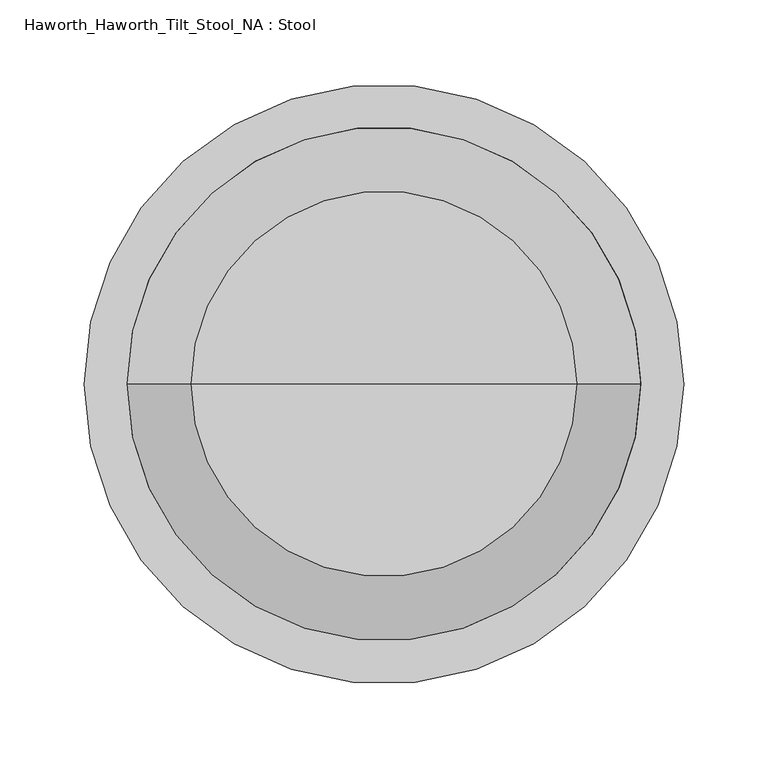
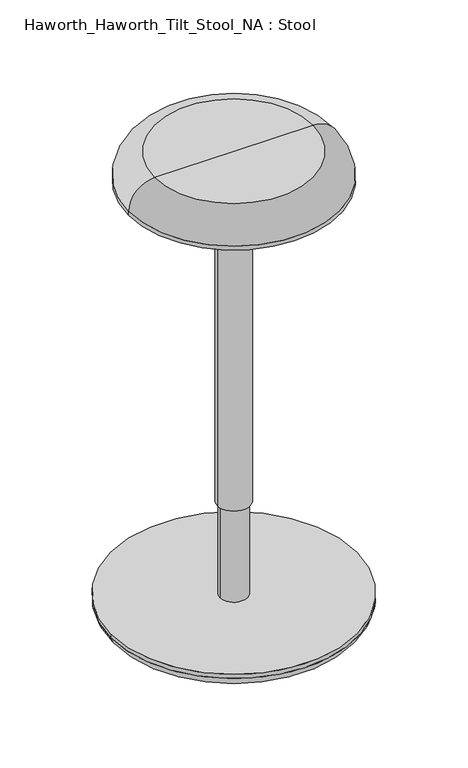
"""IFC4 building model written with IfcOpenShell, lengths in millimetres: furniture geometry, Haworth_Haworth_Tilt_Stool_NA : Stool."""

from ifc_helpers import new_model, si_unit, point, frame, frame_2d, origin, origin_2d, place, context, project, spatial, circle_curve, ellipse_curve, trimmed, segment, composite_curve, outline, extrude, source, transform, mapped, element, save
from ifc_brep_helpers import plane_surface, revolved_surface, advanced_brep


def haworth_haworth_tilt_stool_na_stool_fa742e71(model_context):
    return source(origin(), model_context, "Body", "SolidModel", [
        extrude(outline(composite_curve([segment(trimmed(circle_curve(frame_2d((0.0, 615.95)), 3.175), [point((-3.175, 615.95))], [point((3.175, 615.95))], False, "CARTESIAN"), True, "CONTINUOUS"), segment(trimmed(circle_curve(frame_2d((0.0, 615.95)), 3.175), [point((3.175, 615.95))], [point((-3.175, 615.95))], False, "CARTESIAN"), True, "CONTINUOUS")], self_intersect=False)), frame((24.1192004, 0.0, 0.0), z_axis=(1.0, 0.0, 0.0), x_axis=(0.0, 1.0, 0.0)), (0.0, 0.0, 1.0), 86.2355281),
        extrude(outline(composite_curve([segment(trimmed(circle_curve(origin_2d(), 19.9389992), [point((19.9389992, 0.0))], [point((-19.9389992, 0.0))], False, "CARTESIAN"), True, "CONTINUOUS"), segment(trimmed(circle_curve(origin_2d(), 19.9389992), [point((-19.9389992, 0.0))], [point((19.9389992, 0.0))], False, "CARTESIAN"), True, "CONTINUOUS")], self_intersect=False)), frame((0.0, 0.0, 36.2489797), z_axis=(0.0, 0.0, 1.0), x_axis=(1.0, 0.0, 0.0)), (0.0, 0.0, 1.0), 141.5510203),
        extrude(outline(composite_curve([segment(trimmed(circle_curve(origin_2d(), 23.6220002), [point((23.6220002, 0.0))], [point((-23.6220002, 0.0))], False, "CARTESIAN"), True, "CONTINUOUS"), segment(trimmed(circle_curve(origin_2d(), 23.6220002), [point((-23.6220002, 0.0))], [point((23.6220002, 0.0))], False, "CARTESIAN"), True, "CONTINUOUS")], self_intersect=False)), frame((0.0, 0.0, 177.8), z_axis=(0.0, 0.0, 1.0), x_axis=(1.0, 0.0, 0.0)), (0.0, 0.0, 1.0), 488.95),
        advanced_brep(
        [(-79.6904572, 0.0, 0.0), (79.6904572, 0.0, 0.0), (0.0, 0.0, 0.0), (-164.2207634, 0.0, 13.7158758), (164.2207634, 0.0, 13.7158758), (-177.8, 0.0, 29.8989797), (177.8, 0.0, 29.8989797), (0.0, 0.0, 29.8989797)],
        [
            (0, 1, circle_curve(frame((0.0, 0.0, 0.0), z_axis=(0.0, 0.0, -1.0), x_axis=(1.0, 0.0, 0.0)), 79.6904572)),
            (1, 2),
            (2, 0),
            (1, 0, circle_curve(frame((0.0, 0.0, 0.0), z_axis=(0.0, 0.0, -1.0), x_axis=(1.0, 0.0, 0.0)), 79.6904572)),
            (3, 4, circle_curve(frame((0.0, 0.0, 13.7158758), z_axis=(0.0, 0.0, -1.0), x_axis=(1.0, 0.0, 0.0)), 164.2207634)),
            (4, 1, circle_curve(frame((75.3690865, 0.0, 293.9685237), z_axis=(0.0, 1.0, 0.0), x_axis=(1.0, 0.0, 0.0)), 294.0002843)),
            (0, 3, circle_curve(frame((-75.3690865, 0.0, 293.9685237), z_axis=(0.0, 1.0, 0.0), x_axis=(-1.0, 0.0, 0.0)), 294.0002843)),
            (4, 3, circle_curve(frame((0.0, 0.0, 13.7158758), z_axis=(0.0, 0.0, -1.0), x_axis=(1.0, 0.0, 0.0)), 164.2207634)),
            (5, 6, circle_curve(frame((0.0, 0.0, 29.8989797), z_axis=(0.0, 0.0, -1.0), x_axis=(1.0, 0.0, 0.0)), 177.8)),
            (6, 4, circle_curve(frame((158.264676, 0.0, 32.5023447), z_axis=(0.0, 1.0, 0.0), x_axis=(1.0, 0.0, 0.0)), 19.7080286)),
            (3, 5, circle_curve(frame((-158.264676, 0.0, 32.5023447), z_axis=(0.0, 1.0, 0.0), x_axis=(-1.0, 0.0, 0.0)), 19.7080286)),
            (6, 5, circle_curve(frame((0.0, 0.0, 29.8989797), z_axis=(0.0, 0.0, -1.0), x_axis=(1.0, 0.0, 0.0)), 177.8)),
            (7, 6),
            (5, 7),
        ],
        [
            plane_surface(frame((0.0, 0.0, 0.0), z_axis=(0.0, 0.0, -1.0), x_axis=(1.0, 0.0, 0.0))),
            revolved_surface(trimmed(ellipse_curve(frame((75.3690865, 0.0, 293.9685237), z_axis=(0.0, -1.0, 0.0), x_axis=(1.0, 0.0, 0.0)), 294.0002843, 294.0002843), [point((79.6904572, 0.0, 0.0))], [point((164.2207634, 0.0, 13.7158758))], True, "CARTESIAN"), (0.0, 0.0, 2494.2743093), (0.0, 0.0, 1.0)),
            revolved_surface(trimmed(ellipse_curve(frame((158.264676, 0.0, 32.5023447), z_axis=(0.0, -1.0, 0.0), x_axis=(1.0, 0.0, 0.0)), 19.7080286, 19.7080286), [point((164.2207634, 0.0, 13.7158758))], [point((177.8, 0.0, 29.8989797))], True, "CARTESIAN"), (0.0, 0.0, 2494.2743093), (0.0, 0.0, 1.0)),
            plane_surface(frame((0.0, 0.0, 29.8989797), z_axis=(0.0, 0.0, 1.0), x_axis=(1.0, 0.0, 0.0))),
        ],
        [
            (0, [[1, 2, 3]]),
            (0, [[4, -3, -2]]),
            (1, [[5, 6, -1, 7]]),
            (1, [[8, -7, -4, -6]]),
            (2, [[9, 10, -5, 11]]),
            (2, [[12, -11, -8, -10]]),
            (3, [[13, -9, 14]]),
            (3, [[-14, -12, -13]]),
        ],
    ),
        extrude(outline(composite_curve([segment(trimmed(circle_curve(origin_2d(), 177.8), [point((177.8, 0.0))], [point((-177.8, 0.0))], False, "CARTESIAN"), True, "CONTINUOUS"), segment(trimmed(circle_curve(origin_2d(), 177.8), [point((-177.8, 0.0))], [point((177.8, 0.0))], False, "CARTESIAN"), True, "CONTINUOUS")], self_intersect=False)), frame((0.0, 0.0, 29.8989797), z_axis=(0.0, 0.0, 1.0), x_axis=(1.0, 0.0, 0.0)), (0.0, 0.0, 1.0), 6.35),
        advanced_brep(
        [(0.0, 0.0, 711.2), (114.2999941, 0.0, 711.2), (-114.2999941, 0.0, 711.2), (-152.3999941, 0.0, 673.1), (152.3999941, 0.0, 673.1), (0.0, 0.0, 673.1)],
        [
            (0, 1),
            (1, 2, circle_curve(frame((0.0, 0.0, 711.2), z_axis=(0.0, 0.0, 1.0), x_axis=(1.0, 0.0, 0.0)), 114.2999941)),
            (2, 0),
            (2, 1, circle_curve(frame((0.0, 0.0, 711.2), z_axis=(0.0, 0.0, 1.0), x_axis=(1.0, 0.0, 0.0)), 114.2999941)),
            (3, 4, circle_curve(frame((0.0, 0.0, 673.1), z_axis=(0.0, 0.0, -1.0), x_axis=(1.0, 0.0, 0.0)), 152.3999941)),
            (4, 5),
            (5, 3),
            (4, 3, circle_curve(frame((0.0, 0.0, 673.1), z_axis=(0.0, 0.0, -1.0), x_axis=(1.0, 0.0, 0.0)), 152.3999941)),
            (1, 4, circle_curve(frame((114.2999941, 0.0, 673.1), z_axis=(0.0, 1.0, 0.0), x_axis=(1.0, 0.0, 0.0)), 38.1)),
            (3, 2, circle_curve(frame((-114.2999941, 0.0, 673.1), z_axis=(0.0, 1.0, 0.0), x_axis=(-1.0, 0.0, 0.0)), 38.1)),
        ],
        [
            plane_surface(frame((0.0, 0.0, 711.2), z_axis=(0.0, 0.0, 1.0), x_axis=(1.0, 0.0, 0.0))),
            plane_surface(frame((0.0, 0.0, 673.1), z_axis=(0.0, 0.0, -1.0), x_axis=(1.0, 0.0, 0.0))),
            revolved_surface(trimmed(ellipse_curve(frame((114.2999941, 0.0, 673.1), z_axis=(0.0, -1.0, 0.0), x_axis=(1.0, 0.0, 0.0)), 38.1, 38.1), [point((152.3999941, 0.0, 673.1))], [point((114.2999941, 0.0, 711.2))], True, "CARTESIAN"), (0.0, 0.0, 2494.2743093), (0.0, 0.0, 1.0)),
        ],
        [
            (0, [[1, 2, 3]]),
            (0, [[-3, 4, -1]]),
            (1, [[5, 6, 7]]),
            (1, [[8, -7, -6]]),
            (2, [[-2, 9, -5, 10]]),
            (2, [[-4, -10, -8, -9]]),
        ],
    ),
        extrude(outline(composite_curve([segment(trimmed(circle_curve(frame_2d((-5.9e-06, 0.0)), 152.4), [point((-152.4000059, 0.0))], [point((152.3999941, 0.0))], False, "CARTESIAN"), True, "CONTINUOUS"), segment(trimmed(circle_curve(frame_2d((-5.9e-06, 0.0)), 152.4), [point((152.3999941, 0.0))], [point((-152.4000059, 0.0))], False, "CARTESIAN"), True, "CONTINUOUS")], self_intersect=False)), frame((0.0, 0.0, 666.75), z_axis=(0.0, 0.0, 1.0), x_axis=(1.0, 0.0, 0.0)), (0.0, 0.0, 1.0), 6.35),
    ])


if __name__ == "__main__":
    model = new_model("IFC4")
    model_context = context("Model", 3, world=origin())
    ifc_project = project(units=[si_unit("LENGTHUNIT", "METRE", prefix="MILLI")], contexts=[model_context])
    site = spatial("IfcSite", under=ifc_project)
    building = spatial("IfcBuilding", under=site)
    placement = place(None, origin())
    haworth_haworth_tilt_stool_na_stool_shape = haworth_haworth_tilt_stool_na_stool_fa742e71(model_context)
    element("IfcFurniture", 1, ObjectType="Haworth_Haworth_Tilt_Stool_NA : Stool", at=placement, inside=building, context=model_context, shape_type="MappedRepresentation", body=[
        mapped(haworth_haworth_tilt_stool_na_stool_shape, transform((0.0, 0.0, 0.0), x_axis=(1.0, 0.0, 0.0), y_axis=(0.0, 1.0, 0.0), z_axis=(0.0, 0.0, 1.0))),
    ])
    save(model, "model.ifc")
